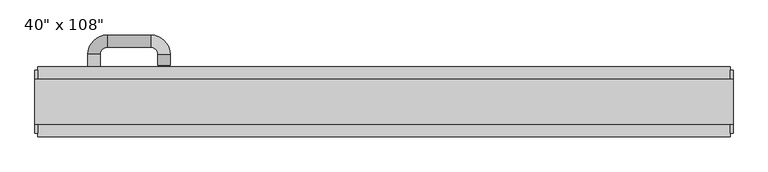
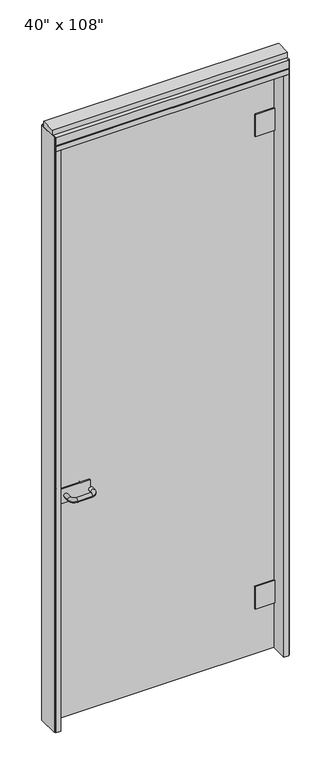
"""IFC4 building model written with IfcOpenShell, lengths in millimetres: furniture geometry."""

import ifcopenshell
import ifcopenshell.guid

model = None  # the IFC model being written
_history = None  # IfcOwnerHistory: only IFC2X3 demands one
_inside = {}  # id of a spatial element -> (the spatial element, [elements in it])
_under = {}  # id of a project, library or spatial element -> (it, [spatial elements below it])
_declared = {}  # id of a project -> (the project, [libraries it declares])
_typed = {}  # id of a type object -> (the type object, [elements of that type])
_made_of = {}  # id of a material, layer set ... -> (it, [elements and type objects made of it])


def new_model(schema):
    """Start an empty IFC model of exactly this schema.

    Asked for "IFC4X3", IfcOpenShell would pick the latest addendum, in which some entities
    have other attributes; the version numbers below select the first issue.
    IFC2X3 requires an IfcOwnerHistory on every rooted entity: one is made here for all.
    """
    global model, _history
    if schema == "IFC4X3":
        model = ifcopenshell.file(schema_version=(4, 3, 0, 0))
    else:
        model = ifcopenshell.file(schema=schema)
    _inside.clear()
    _under.clear()
    _declared.clear()
    _typed.clear()
    _made_of.clear()
    _history = None
    if model.schema == "IFC2X3":
        org = make("IfcOrganization", Name="unknown")
        user = make(
            "IfcPersonAndOrganization",
            ThePerson=make("IfcPerson", FamilyName="unknown"),
            TheOrganization=org,
        )
        app = make(
            "IfcApplication",
            ApplicationDeveloper=org,
            Version="unknown",
            ApplicationFullName="unknown",
            ApplicationIdentifier="unknown",
        )
        _history = make(
            "IfcOwnerHistory",
            OwningUser=user,
            OwningApplication=app,
            ChangeAction="ADDED",
            CreationDate=0,
        )
    return model


def make(cls, **values):
    """One entity of the class cls with the attributes given. An attribute that is None is left unset."""
    return model.create_entity(
        cls, **{name: value for name, value in values.items() if value is not None}
    )


def rooted(cls, **values):
    """An entity with a GlobalId (a new one), such as an element, a storey or a relation."""
    return make(cls, GlobalId=ifcopenshell.guid.new(), OwnerHistory=_history, **values)


def si_unit(unit_type, name, prefix=None):
    """IfcSIUnit, for example si_unit("LENGTHUNIT", "METRE", prefix="MILLI")."""
    return make("IfcSIUnit", UnitType=unit_type, Prefix=prefix, Name=name)


def assignment(units):
    """IfcUnitAssignment: the units of a project."""
    return None if units is None else make("IfcUnitAssignment", Units=units)


def point(xyz):
    """IfcCartesianPoint."""
    return None if xyz is None else make("IfcCartesianPoint", Coordinates=xyz)


def direction(xyz):
    """IfcDirection."""
    return None if xyz is None else make("IfcDirection", DirectionRatios=xyz)


def frame(location, z_axis=None, x_axis=None):
    """IfcAxis2Placement3D, a coordinate frame: its origin and axes. An axis left out is left unset."""
    return make(
        "IfcAxis2Placement3D",
        Location=point(location),
        Axis=direction(z_axis),
        RefDirection=direction(x_axis),
    )


def origin():
    """The frame at (0, 0, 0) with its axes left unset."""
    return frame((0.0, 0.0, 0.0))


def origin_with_axes():
    """The frame at (0, 0, 0) with the z axis (0, 0, 1) and the x axis (1, 0, 0) written out."""
    return frame((0.0, 0.0, 0.0), z_axis=(0.0, 0.0, 1.0), x_axis=(1.0, 0.0, 0.0))


def place(relative_to, where):
    """IfcLocalPlacement: puts the frame where relative to a parent placement (None: the world)."""
    return make(
        "IfcLocalPlacement", PlacementRelTo=relative_to, RelativePlacement=where
    )


def context(
    kind, dimensions, precision=None, world=None, true_north=None, identifier=None
):
    """IfcGeometricRepresentationContext, for example the 3D "Model" context."""
    return make(
        "IfcGeometricRepresentationContext",
        ContextIdentifier=identifier,
        ContextType=kind,
        CoordinateSpaceDimension=dimensions,
        Precision=precision,
        WorldCoordinateSystem=world,
        TrueNorth=true_north,
    )


def project(units=None, contexts=None):
    """IfcProject with its units and contexts."""
    return rooted(
        "IfcProject",
        Name="project",
        RepresentationContexts=contexts,
        UnitsInContext=assignment(units),
    )


def spatial(cls, under=None, at=None, **own):
    """A site, building, storey or space (cls), placed at a placement, below another one or the project."""
    s = rooted(cls, ObjectPlacement=at, **own)
    if under is not None:
        _under.setdefault(under.id(), (under, []))[1].append(s)
    return s


def polyline(points):
    """IfcPolyline through the points."""
    return make("IfcPolyline", Points=[point(p) for p in points])


def circle_curve(where, radius):
    """IfcCircle in the frame where."""
    return make("IfcCircle", Position=where, Radius=radius)


def ellipse_curve(where, semi_axis1, semi_axis2):
    """IfcEllipse in the frame where."""
    return make(
        "IfcEllipse", Position=where, SemiAxis1=semi_axis1, SemiAxis2=semi_axis2
    )


def trimmed(basis, trim1, trim2, sense, master):
    """IfcTrimmedCurve: the piece of a basis curve between two trims."""
    return make(
        "IfcTrimmedCurve",
        BasisCurve=basis,
        Trim1=trim1,
        Trim2=trim2,
        SenseAgreement=sense,
        MasterRepresentation=master,
    )


def outline(outer, holes=None, kind="AREA"):
    """IfcArbitraryClosedProfileDef: a profile drawn as a closed curve; with holes, ...WithVoids."""
    if holes is None:
        return make("IfcArbitraryClosedProfileDef", ProfileType=kind, OuterCurve=outer)
    return make(
        "IfcArbitraryProfileDefWithVoids",
        ProfileType=kind,
        OuterCurve=outer,
        InnerCurves=holes,
    )


def extrude(swept, where, along, depth):
    """IfcExtrudedAreaSolid: the profile swept, set in the frame where, extruded along a direction by depth."""
    return make(
        "IfcExtrudedAreaSolid",
        SweptArea=swept,
        Position=where,
        ExtrudedDirection=direction(along),
        Depth=depth,
    )


def shape(context_of_items, identifier, shape_type, items):
    """IfcShapeRepresentation: the items that make up one representation, for example the "Body"."""
    return make(
        "IfcShapeRepresentation",
        ContextOfItems=context_of_items,
        RepresentationIdentifier=identifier,
        RepresentationType=shape_type,
        Items=items,
    )


def source(mapping_origin, context_of_items, identifier, shape_type, items):
    """IfcRepresentationMap: a shape defined once, which mapped items show again and again."""
    return make(
        "IfcRepresentationMap",
        MappingOrigin=mapping_origin,
        MappedRepresentation=shape(context_of_items, identifier, shape_type, items),
    )


def transform(
    local_origin,
    x_axis=None,
    y_axis=None,
    z_axis=None,
    scale=None,
    scale2=None,
    scale3=None,
    uniform=True,
):
    """IfcCartesianTransformationOperator3D, or its non-uniform kind. x_axis, y_axis, z_axis: its Axis1, 2, 3."""
    if uniform:
        return make(
            "IfcCartesianTransformationOperator3D",
            Axis1=direction(x_axis),
            Axis2=direction(y_axis),
            LocalOrigin=point(local_origin),
            Scale=scale,
            Axis3=direction(z_axis),
        )
    return make(
        "IfcCartesianTransformationOperator3DnonUniform",
        Axis1=direction(x_axis),
        Axis2=direction(y_axis),
        LocalOrigin=point(local_origin),
        Scale=scale,
        Axis3=direction(z_axis),
        Scale2=scale2,
        Scale3=scale3,
    )


def mapped(mapping_source, mapping_target):
    """IfcMappedItem: shows the shape of a source again, moved by a transform."""
    return make(
        "IfcMappedItem", MappingSource=mapping_source, MappingTarget=mapping_target
    )


def made_of(thing, what):
    """Note that an element or type object is made of a material, layer set ...; save() writes the relation."""
    if what is not None:
        _made_of.setdefault(what.id(), (what, []))[1].append(thing)
    return thing


def element(
    cls,
    number,
    at=None,
    inside=None,
    cuts=None,
    type_object=None,
    material=None,
    context=None,
    identifier="Body",
    shape_type=None,
    held_by="IfcProductDefinitionShape",
    body=None,
    shapes=None,
    **own,
):
    """One element of the class cls, such as IfcWall. Its Tag is "e" and its number.

    at: its placement. inside: the storey or other place that contains it. cuts: it is an
    opening in that element (IfcRelVoidsElement). A single representation is given by context,
    identifier, shape_type and body (its items); several are given by shapes. held_by: the class
    of the entity that holds the representations. save() writes the other relations.
    """
    e = rooted(cls, Tag="e%d" % number, ObjectPlacement=at, **own)
    if body is not None:
        shapes = [shape(context, identifier, shape_type, body)]
    if shapes is not None:
        e.Representation = make(held_by, Representations=shapes)
    if inside is not None:
        _inside.setdefault(inside.id(), (inside, []))[1].append(e)
    if cuts is not None:
        rooted(
            "IfcRelVoidsElement", RelatingBuildingElement=cuts, RelatedOpeningElement=e
        )
    if type_object is not None:
        _typed.setdefault(type_object.id(), (type_object, []))[1].append(e)
    return made_of(e, material)


def aggregate(whole, parts):
    """IfcRelAggregates: a whole, such as a stair, and the parts it consists of."""
    return rooted("IfcRelAggregates", RelatingObject=whole, RelatedObjects=parts)


def save(model, path):
    """Write the relations noted so far, then the file.

    IfcRelAggregates (storeys below a building ...), IfcRelContainedInSpatialStructure (elements
    in a storey), IfcRelDefinesByType, IfcRelAssociatesMaterial and IfcRelDeclares: one each for
    every whole, place, type object, material and project.
    """
    for whole, parts in _under.values():
        aggregate(whole, parts)
    for where, things in _inside.values():
        rooted(
            "IfcRelContainedInSpatialStructure",
            RelatedElements=things,
            RelatingStructure=where,
        )
    for kind, things in _typed.values():
        rooted("IfcRelDefinesByType", RelatedObjects=things, RelatingType=kind)
    for what, things in _made_of.values():
        rooted("IfcRelAssociatesMaterial", RelatedObjects=things, RelatingMaterial=what)
    for by, libraries in _declared.values():
        rooted("IfcRelDeclares", RelatingContext=by, RelatedDefinitions=libraries)
    model.write(path)


def plane_surface(at):
    """IfcPlane: the flat surface through the origin of the frame at, square to its z axis."""
    return make("IfcPlane", Position=at)


def cylinder_surface(at, radius):
    """IfcCylindricalSurface: all points at the distance radius from the z axis of the frame at."""
    return make("IfcCylindricalSurface", Position=at, Radius=radius)


def revolved_surface(curve, axis_point, axis_direction):
    """IfcSurfaceOfRevolution: the curve turned about the line through axis_point along axis_direction."""
    return make(
        "IfcSurfaceOfRevolution",
        SweptCurve=make("IfcArbitraryOpenProfileDef", ProfileType="CURVE", Curve=curve),
        AxisPosition=make("IfcAxis1Placement", Location=point(axis_point), Axis=direction(axis_direction)),
    )


def advanced_brep(points, edges, surfaces, faces):
    """IfcAdvancedBrep: a solid bounded by faces that lie on surfaces and meet in shared edges.

    An edge is (start, end): straight between two places in points (the first is 0);
    or (start, end, curve); or (start, end, curve, False) where it runs against its curve.
    A face is (place in surfaces, loops), or (place, loops, False) where it looks against
    its surface's normal. A loop lists edges by number (the first is 1), with a minus sign
    where the edge is run from its end to its start. The first loop is the outer one.
    """
    corners = [point(p) for p in points]
    vertices = [make("IfcVertexPoint", VertexGeometry=c) for c in corners]
    made = []
    for start, end, *more in edges:
        made.append(
            make(
                "IfcEdgeCurve",
                EdgeStart=vertices[start],
                EdgeEnd=vertices[end],
                EdgeGeometry=more[0] if more else make("IfcPolyline", Points=[corners[start], corners[end]]),
                SameSense=more[1] if len(more) > 1 else True,
            )
        )
    hull = []
    for where, loops, *sense in faces:
        bounds = []
        for j, loop in enumerate(loops):
            ring = [make("IfcOrientedEdge", EdgeElement=made[abs(k) - 1], Orientation=k > 0) for k in loop]
            bounds.append(
                make(
                    "IfcFaceOuterBound" if j == 0 else "IfcFaceBound",
                    Bound=make("IfcEdgeLoop", EdgeList=ring),
                    Orientation=True,
                )
            )
        hull.append(make("IfcAdvancedFace", Bounds=bounds, FaceSurface=surfaces[where], SameSense=sense[0] if sense else True))
    return make("IfcAdvancedBrep", Outer=make("IfcClosedShell", CfsFaces=hull))


def furniture_eed692c8(model_context):
    return source(origin(), model_context, "Body", "SolidModel", [
        extrude(outline(polyline([(421.8014771, 38.1727216), (421.8014771, 28.0127216), (-541.8745229, 28.0127216), (-541.8745229, 38.1727216), (421.8014771, 38.1727216)])), origin_with_axes(), (0.0, 0.0, 1.0), 2654.3),
        extrude(outline(polyline([(-375.7585229, 21.0277216), (-540.8585229, 21.0277216), (-540.8585229, 28.0127216), (-375.7585229, 28.0127216), (-375.7585229, 21.0277216)])), frame((0.0, 0.0, 982.98), z_axis=(0.0, 0.0, 1.0), x_axis=(1.0, 0.0, 0.0)), (0.0, 0.0, 1.0), 66.04),
        advanced_brep(
        [(-490.8205229, 21.0277216, 1016.0), (-473.0405229, 21.0277216, 1016.0), (-490.8205229, -7.5472784, 1016.0), (-473.0405229, -7.5472784, 1016.0), (-462.8805229, -17.7072784, 1016.0), (-462.8805229, -35.4872784, 1016.0), (-371.4405229, 8.3277216, 1016.0), (-389.2205229, 8.3277216, 1016.0), (-399.3805229, -35.4872784, 1016.0), (-399.3805229, -17.7072784, 1016.0), (-389.2205229, -7.5472784, 1016.0), (-371.4405229, -7.5472784, 1016.0)],
        [
            (0, 1, circle_curve(frame((-481.9305229, 21.0277216, 1016.0), z_axis=(0.0, 1.0, 0.0), x_axis=(1.0, 0.0, 0.0)), 8.89)),
            (1, 0, circle_curve(frame((-481.9305229, 21.0277216, 1016.0), z_axis=(0.0, 1.0, 0.0), x_axis=(1.0, 0.0, 0.0)), 8.89)),
            (0, 2),
            (2, 3, circle_curve(frame((-481.9305229, -7.5472784, 1016.0), z_axis=(0.0, 1.0, 0.0), x_axis=(1.0, 0.0, 0.0)), 8.89)),
            (3, 1),
            (3, 2, circle_curve(frame((-481.9305229, -7.5472784, 1016.0), z_axis=(0.0, 1.0, 0.0), x_axis=(1.0, 0.0, 0.0)), 8.89)),
            (4, 3, circle_curve(frame((-462.8805229, -7.5472784, 1016.0), z_axis=(0.0, 0.0, -1.0), x_axis=(-1.0, 0.0, 0.0)), 10.16)),
            (2, 5, circle_curve(frame((-462.8805229, -7.5472784, 1016.0), z_axis=(0.0, 0.0, 1.0), x_axis=(-1.0, 0.0, 0.0)), 27.94)),
            (5, 4, circle_curve(frame((-462.8805229, -26.5972784, 1016.0), z_axis=(-1.0, 0.0, 0.0), x_axis=(0.0, 1.0, 0.0)), 8.89)),
            (4, 5, circle_curve(frame((-462.8805229, -26.5972784, 1016.0), z_axis=(-1.0, 0.0, 0.0), x_axis=(0.0, 1.0, 0.0)), 8.89)),
            (6, 7, circle_curve(frame((-380.3305229, 8.3277216, 1016.0), z_axis=(0.0, 1.0, 0.0), x_axis=(-1.0, 0.0, 0.0)), 8.89)),
            (7, 6, circle_curve(frame((-380.3305229, 8.3277216, 1016.0), z_axis=(0.0, 1.0, 0.0), x_axis=(-1.0, 0.0, 0.0)), 8.89)),
            (5, 8),
            (8, 9, circle_curve(frame((-399.3805229, -26.5972784, 1016.0), z_axis=(-1.0, 0.0, 0.0), x_axis=(0.0, 1.0, 0.0)), 8.89)),
            (9, 4),
            (9, 8, circle_curve(frame((-399.3805229, -26.5972784, 1016.0), z_axis=(-1.0, 0.0, 0.0), x_axis=(0.0, 1.0, 0.0)), 8.89)),
            (10, 9, circle_curve(frame((-399.3805229, -7.5472784, 1016.0), z_axis=(0.0, 0.0, -1.0), x_axis=(0.0, -1.0, 0.0)), 10.16)),
            (8, 11, circle_curve(frame((-399.3805229, -7.5472784, 1016.0), z_axis=(0.0, 0.0, 1.0), x_axis=(0.0, -1.0, 0.0)), 27.94)),
            (11, 10, circle_curve(frame((-380.3305229, -7.5472784, 1016.0), z_axis=(0.0, -1.0, 0.0), x_axis=(-1.0, 0.0, 0.0)), 8.89)),
            (10, 11, circle_curve(frame((-380.3305229, -7.5472784, 1016.0), z_axis=(0.0, -1.0, 0.0), x_axis=(-1.0, 0.0, 0.0)), 8.89)),
            (11, 6),
            (7, 10),
        ],
        [
            plane_surface(frame((-481.9305229, 21.0277216, 1016.0), z_axis=(0.0, 1.0, 0.0), x_axis=(0.0, 0.0, 1.0))),
            cylinder_surface(frame((-481.9305229, 21.0277216, 1016.0), z_axis=(0.0, 1.0, 0.0), x_axis=(1.0, 0.0, 0.0)), 8.89),
            revolved_surface(trimmed(ellipse_curve(frame((-481.9305229, -7.5472784, 1016.0), z_axis=(0.0, 1.0, 0.0), x_axis=(1.0, 0.0, 0.0)), 8.89, 8.89), [point((-490.8205229, -7.5472784, 1016.0))], [point((-473.0405229, -7.5472784, 1016.0))], True, "CARTESIAN"), (-462.8805229, -7.5472784, 1016.0), (0.0, 0.0, 1.0)),
            revolved_surface(trimmed(ellipse_curve(frame((-481.9305229, -7.5472784, 1016.0), z_axis=(0.0, 1.0, 0.0), x_axis=(1.0, 0.0, 0.0)), 8.89, 8.89), [point((-473.0405229, -7.5472784, 1016.0))], [point((-490.8205229, -7.5472784, 1016.0))], True, "CARTESIAN"), (-462.8805229, -7.5472784, 1016.0), (0.0, 0.0, 1.0)),
            plane_surface(frame((-380.3305229, 8.3277216, 1016.0), z_axis=(0.0, 1.0, 0.0), x_axis=(0.0, 0.0, 1.0))),
            cylinder_surface(frame((-462.8805229, -26.5972784, 1016.0), z_axis=(-1.0, 0.0, 0.0), x_axis=(0.0, 1.0, 0.0)), 8.89),
            revolved_surface(trimmed(ellipse_curve(frame((-399.3805229, -26.5972784, 1016.0), z_axis=(-1.0, 0.0, 0.0), x_axis=(0.0, 1.0, 0.0)), 8.89, 8.89), [point((-399.3805229, -35.4872784, 1016.0))], [point((-399.3805229, -17.7072784, 1016.0))], True, "CARTESIAN"), (-399.3805229, -7.5472784, 1016.0), (0.0, 0.0, 1.0)),
            revolved_surface(trimmed(ellipse_curve(frame((-399.3805229, -26.5972784, 1016.0), z_axis=(-1.0, 0.0, 0.0), x_axis=(0.0, 1.0, 0.0)), 8.89, 8.89), [point((-399.3805229, -17.7072784, 1016.0))], [point((-399.3805229, -35.4872784, 1016.0))], True, "CARTESIAN"), (-399.3805229, -7.5472784, 1016.0), (0.0, 0.0, 1.0)),
            cylinder_surface(frame((-380.3305229, -7.5472784, 1016.0), z_axis=(0.0, -1.0, 0.0), x_axis=(-1.0, 0.0, 0.0)), 8.89),
        ],
        [
            (0, [[1, 2]]),
            (1, [[-1, 3, 4, 5]]),
            (1, [[-2, -5, 6, -3]]),
            (2, [[7, -4, 8, 9]]),
            (3, [[-8, -6, -7, 10]]),
            (4, [[11, 12]]),
            (5, [[-9, 13, 14, 15]]),
            (5, [[-10, -15, 16, -13]]),
            (6, [[17, -14, 18, 19]]),
            (7, [[-18, -16, -17, 20]]),
            (8, [[-19, 21, -12, 22]]),
            (8, [[-20, -22, -11, -21]]),
        ],
    ),
        extrude(outline(polyline([(-375.7585229, 45.1577216), (-375.7585229, 38.1727216), (-540.8585229, 38.1727216), (-540.8585229, 45.1577216), (-375.7585229, 45.1577216)])), frame((0.0, 0.0, 982.98), z_axis=(0.0, 0.0, 1.0), x_axis=(1.0, 0.0, 0.0)), (0.0, 0.0, 1.0), 66.04),
        advanced_brep(
        [(-490.8205229, 45.1577216, 1016.0), (-473.0405229, 45.1577216, 1016.0), (-473.0405229, 73.7327216, 1016.0), (-490.8205229, 73.7327216, 1016.0), (-462.8805229, 83.8927216, 1016.0), (-462.8805229, 101.6727216, 1016.0), (-371.4405229, 57.8577216, 1016.0), (-389.2205229, 57.8577216, 1016.0), (-399.3805229, 83.8927216, 1016.0), (-399.3805229, 101.6727216, 1016.0), (-389.2205229, 73.7327216, 1016.0), (-371.4405229, 73.7327216, 1016.0)],
        [
            (0, 1, circle_curve(frame((-481.9305229, 45.1577216, 1016.0), z_axis=(0.0, -1.0, 0.0), x_axis=(1.0, 0.0, 0.0)), 8.89)),
            (1, 0, circle_curve(frame((-481.9305229, 45.1577216, 1016.0), z_axis=(0.0, -1.0, 0.0), x_axis=(1.0, 0.0, 0.0)), 8.89)),
            (1, 2),
            (2, 3, circle_curve(frame((-481.9305229, 73.7327216, 1016.0), z_axis=(0.0, -1.0, 0.0), x_axis=(1.0, 0.0, 0.0)), 8.89)),
            (3, 0),
            (3, 2, circle_curve(frame((-481.9305229, 73.7327216, 1016.0), z_axis=(0.0, -1.0, 0.0), x_axis=(1.0, 0.0, 0.0)), 8.89)),
            (4, 5, circle_curve(frame((-462.8805229, 92.7827216, 1016.0), z_axis=(-1.0, 0.0, 0.0), x_axis=(0.0, -1.0, 0.0)), 8.89)),
            (5, 3, circle_curve(frame((-462.8805229, 73.7327216, 1016.0), z_axis=(0.0, 0.0, 1.0), x_axis=(-1.0, 0.0, 0.0)), 27.94)),
            (2, 4, circle_curve(frame((-462.8805229, 73.7327216, 1016.0), z_axis=(0.0, 0.0, -1.0), x_axis=(-1.0, 0.0, 0.0)), 10.16)),
            (5, 4, circle_curve(frame((-462.8805229, 92.7827216, 1016.0), z_axis=(-1.0, 0.0, 0.0), x_axis=(0.0, -1.0, 0.0)), 8.89)),
            (6, 7, circle_curve(frame((-380.3305229, 57.8577216, 1016.0), z_axis=(0.0, -1.0, 0.0), x_axis=(-1.0, 0.0, 0.0)), 8.89)),
            (7, 6, circle_curve(frame((-380.3305229, 57.8577216, 1016.0), z_axis=(0.0, -1.0, 0.0), x_axis=(-1.0, 0.0, 0.0)), 8.89)),
            (4, 8),
            (8, 9, circle_curve(frame((-399.3805229, 92.7827216, 1016.0), z_axis=(-1.0, 0.0, 0.0), x_axis=(0.0, -1.0, 0.0)), 8.89)),
            (9, 5),
            (9, 8, circle_curve(frame((-399.3805229, 92.7827216, 1016.0), z_axis=(-1.0, 0.0, 0.0), x_axis=(0.0, -1.0, 0.0)), 8.89)),
            (10, 11, circle_curve(frame((-380.3305229, 73.7327216, 1016.0), z_axis=(0.0, 1.0, 0.0), x_axis=(-1.0, 0.0, 0.0)), 8.89)),
            (11, 9, circle_curve(frame((-399.3805229, 73.7327216, 1016.0), z_axis=(0.0, 0.0, 1.0), x_axis=(0.0, 1.0, 0.0)), 27.94)),
            (8, 10, circle_curve(frame((-399.3805229, 73.7327216, 1016.0), z_axis=(0.0, 0.0, -1.0), x_axis=(0.0, 1.0, 0.0)), 10.16)),
            (11, 10, circle_curve(frame((-380.3305229, 73.7327216, 1016.0), z_axis=(0.0, 1.0, 0.0), x_axis=(-1.0, 0.0, 0.0)), 8.89)),
            (10, 7),
            (6, 11),
        ],
        [
            plane_surface(frame((-481.9305229, 45.1577216, 1016.0), z_axis=(0.0, -1.0, 0.0), x_axis=(0.0, 0.0, 1.0))),
            cylinder_surface(frame((-481.9305229, 45.1577216, 1016.0), z_axis=(0.0, -1.0, 0.0), x_axis=(1.0, 0.0, 0.0)), 8.89),
            revolved_surface(trimmed(ellipse_curve(frame((-481.9305229, 73.7327216, 1016.0), z_axis=(0.0, 1.0, 0.0), x_axis=(1.0, 0.0, 0.0)), 8.89, 8.89), [point((-490.8205229, 73.7327216, 1016.0))], [point((-473.0405229, 73.7327216, 1016.0))], True, "CARTESIAN"), (-462.8805229, 73.7327216, 1016.0), (0.0, 0.0, 1.0)),
            revolved_surface(trimmed(ellipse_curve(frame((-481.9305229, 73.7327216, 1016.0), z_axis=(0.0, 1.0, 0.0), x_axis=(1.0, 0.0, 0.0)), 8.89, 8.89), [point((-473.0405229, 73.7327216, 1016.0))], [point((-490.8205229, 73.7327216, 1016.0))], True, "CARTESIAN"), (-462.8805229, 73.7327216, 1016.0), (0.0, 0.0, 1.0)),
            plane_surface(frame((-380.3305229, 57.8577216, 1016.0), z_axis=(0.0, -1.0, 0.0), x_axis=(0.0, 0.0, 1.0))),
            cylinder_surface(frame((-462.8805229, 92.7827216, 1016.0), z_axis=(-1.0, 0.0, 0.0), x_axis=(0.0, -1.0, 0.0)), 8.89),
            revolved_surface(trimmed(ellipse_curve(frame((-399.3805229, 92.7827216, 1016.0), z_axis=(1.0, 0.0, 0.0), x_axis=(0.0, -1.0, 0.0)), 8.89, 8.89), [point((-399.3805229, 101.6727216, 1016.0))], [point((-399.3805229, 83.8927216, 1016.0))], True, "CARTESIAN"), (-399.3805229, 73.7327216, 1016.0), (0.0, 0.0, 1.0)),
            revolved_surface(trimmed(ellipse_curve(frame((-399.3805229, 92.7827216, 1016.0), z_axis=(1.0, 0.0, 0.0), x_axis=(0.0, -1.0, 0.0)), 8.89, 8.89), [point((-399.3805229, 83.8927216, 1016.0))], [point((-399.3805229, 101.6727216, 1016.0))], True, "CARTESIAN"), (-399.3805229, 73.7327216, 1016.0), (0.0, 0.0, 1.0)),
            cylinder_surface(frame((-380.3305229, 73.7327216, 1016.0), z_axis=(0.0, 1.0, 0.0), x_axis=(-1.0, 0.0, 0.0)), 8.89),
        ],
        [
            (0, [[1, 2]]),
            (1, [[3, 4, 5, -2]]),
            (1, [[-5, 6, -3, -1]]),
            (2, [[7, 8, -4, 9]]),
            (3, [[10, -9, -6, -8]]),
            (4, [[11, 12]]),
            (5, [[13, 14, 15, -7]]),
            (5, [[-15, 16, -13, -10]]),
            (6, [[17, 18, -14, 19]]),
            (7, [[20, -19, -16, -18]]),
            (8, [[21, -11, 22, -17]]),
            (8, [[-22, -12, -21, -20]]),
        ],
    ),
        extrude(outline(polyline([(421.8014771, 44.5227216), (421.8014771, 38.1727216), (336.9654771, 38.1727216), (336.9654771, 44.5227216), (421.8014771, 44.5227216)])), frame((0.0, 0.0, 2364.486), z_axis=(0.0, 0.0, 1.0), x_axis=(1.0, 0.0, 0.0)), (0.0, 0.0, 1.0), 101.6),
        extrude(outline(polyline([(421.8014771, 44.5227216), (421.8014771, 38.1727216), (336.9654771, 38.1727216), (336.9654771, 44.5227216), (421.8014771, 44.5227216)])), frame((0.0, 0.0, 207.899), z_axis=(0.0, 0.0, 1.0), x_axis=(1.0, 0.0, 0.0)), (0.0, 0.0, 1.0), 101.6),
        extrude(outline(polyline([(336.9654771, 21.6627216), (336.9654771, 28.0127216), (421.8014771, 28.0127216), (421.8014771, 21.6627216), (336.9654771, 21.6627216)])), frame((0.0, 0.0, 2364.486), z_axis=(0.0, 0.0, 1.0), x_axis=(1.0, 0.0, 0.0)), (0.0, 0.0, 1.0), 101.6),
        extrude(outline(polyline([(336.9654771, 21.6627216), (336.9654771, 28.0127216), (421.8014771, 28.0127216), (421.8014771, 21.6627216), (336.9654771, 21.6627216)])), frame((0.0, 0.0, 207.899), z_axis=(0.0, 0.0, 1.0), x_axis=(1.0, 0.0, 0.0)), (0.0, 0.0, 1.0), 101.6),
        extrude(outline(polyline([(-564.0995229, 55.3177216), (444.0264771, 55.3177216), (444.0264771, -46.2822784), (-564.0995229, -46.2822784), (-564.0995229, 55.3177216)])), frame((0.0, 0.0, 2654.3), z_axis=(0.0, 0.0, 1.0), x_axis=(1.0, 0.0, 0.0)), (0.0, 0.0, 1.0), 22.225),
        extrude(outline(polyline([(447.9634771, 50.3647216), (447.9634771, -41.3292784), (444.0264771, -41.3292784), (444.0264771, 50.3647216), (447.9634771, 50.3647216)])), origin_with_axes(), (0.0, 0.0, 1.0), 2717.8),
        extrude(outline(polyline([(-568.0365229, 50.3647216), (-564.0995229, 50.3647216), (-564.0995229, -41.3292784), (-568.0365229, -41.3292784), (-568.0365229, 50.3647216)])), origin_with_axes(), (0.0, 0.0, 1.0), 2717.8),
        extrude(outline(polyline([(421.8014771, 55.3177216), (444.0264771, 55.3177216), (444.0264771, -46.2822784), (421.8014771, -46.2822784), (421.8014771, 55.3177216)])), origin_with_axes(), (0.0, 0.0, 1.0), 2654.3),
        extrude(outline(polyline([(-541.8745229, 55.3177216), (-541.8745229, -46.2822784), (-564.0995229, -46.2822784), (-564.0995229, 55.3177216), (-541.8745229, 55.3177216)])), origin_with_axes(), (0.0, 0.0, 1.0), 2654.3),
        extrude(outline(polyline([(55.3177216, 2681.478), (50.3647216, 2681.478), (50.3647216, 2676.525), (-41.3292784, 2676.525), (-41.3292784, 2681.478), (-46.2822784, 2681.478), (-46.2822784, 2717.8), (55.3177216, 2717.8), (55.3177216, 2681.478)])), frame((-564.0995229, 0.0, 0.0), z_axis=(1.0, 0.0, 0.0), x_axis=(0.0, 1.0, 0.0)), (0.0, 0.0, 1.0), 1008.126),
        extrude(outline(polyline([(-568.0365229, 37.0297216), (447.9634771, 37.0297216), (447.9634771, -27.9942784), (-568.0365229, -27.9942784), (-568.0365229, 37.0297216)])), frame((0.0, 0.0, 2717.8), z_axis=(0.0, 0.0, 1.0), x_axis=(1.0, 0.0, 0.0)), (0.0, 0.0, 1.0), 25.4),
    ])


if __name__ == "__main__":
    model = new_model("IFC4")
    model_context = context("Model", 3, world=origin())
    ifc_project = project(units=[si_unit("LENGTHUNIT", "METRE", prefix="MILLI")], contexts=[model_context])
    site = spatial("IfcSite", under=ifc_project)
    building = spatial("IfcBuilding", under=site)
    placement = place(None, origin())
    furniture_shape = furniture_eed692c8(model_context)
    element("IfcFurniture", 1, ObjectType="40\" x 108\"", at=placement, inside=building, context=model_context, shape_type="MappedRepresentation", body=[
        mapped(furniture_shape, transform((0.0, 0.0, 0.0), x_axis=(1.0, 0.0, 0.0), y_axis=(0.0, 1.0, 0.0), z_axis=(0.0, 0.0, 1.0))),
    ])
    save(model, "model.ifc")
